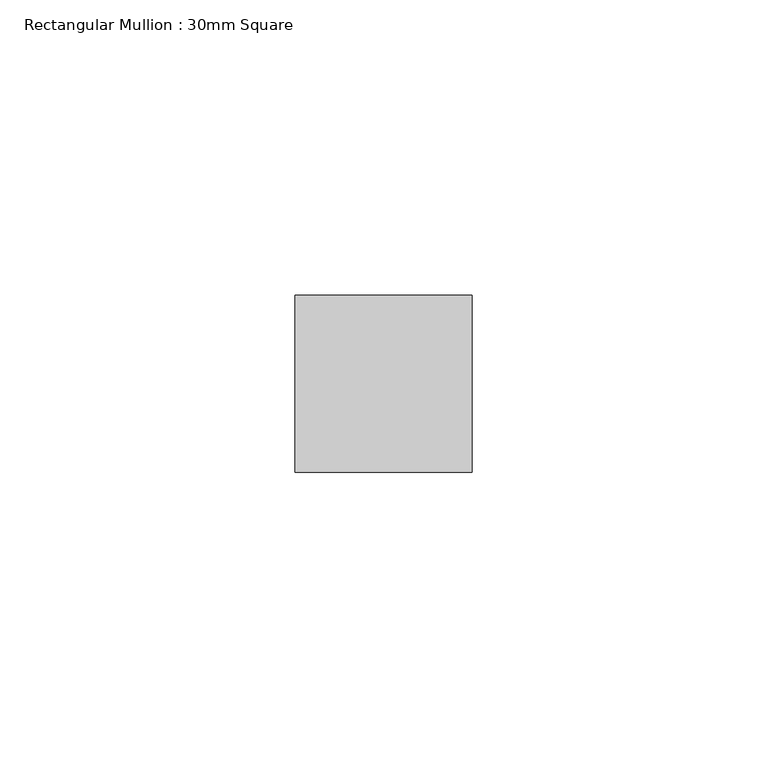
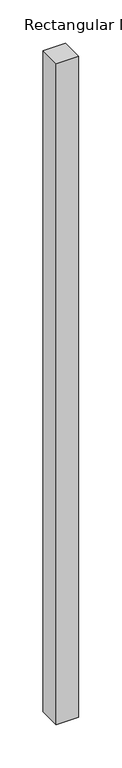
"""IFC4 building model written with IfcOpenShell, lengths in millimetres: member geometry, Rectangular Mullion : 30mm Square."""

from ifc_helpers import new_model, si_unit, frame, origin, place, context, project, spatial, polyline, outline, extrude, source, transform, mapped, element, save


def rectangular_mullion_30mm_square_5c207c76(model_context):
    return source(origin(), model_context, "Body", "SweptSolid", [
        extrude(outline(polyline([(15.0, 15.0), (15.0, -15.0), (-15.0, -15.0), (-15.0, 15.0), (15.0, 15.0)])), frame((0.0, 0.0, -929.1958271), z_axis=(0.0, 0.0, 1.0), x_axis=(1.0, 0.0, 0.0)), (0.0, 0.0, 1.0), 929.1958271),
    ])


if __name__ == "__main__":
    model = new_model("IFC4")
    model_context = context("Model", 3, world=origin())
    ifc_project = project(units=[si_unit("LENGTHUNIT", "METRE", prefix="MILLI")], contexts=[model_context])
    site = spatial("IfcSite", under=ifc_project)
    building = spatial("IfcBuilding", under=site)
    placement = place(None, origin())
    rectangular_mullion_30mm_square_shape = rectangular_mullion_30mm_square_5c207c76(model_context)
    element("IfcMember", 1, ObjectType="Rectangular Mullion : 30mm Square", at=placement, inside=building, context=model_context, shape_type="MappedRepresentation", body=[
        mapped(rectangular_mullion_30mm_square_shape, transform((0.0, 0.0, 0.0), x_axis=(1.0, 0.0, 0.0), y_axis=(0.0, 1.0, 0.0), z_axis=(0.0, 0.0, 1.0))),
    ])
    save(model, "model.ifc")
